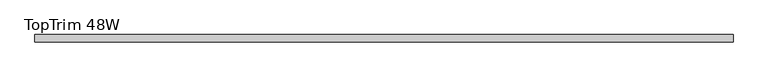
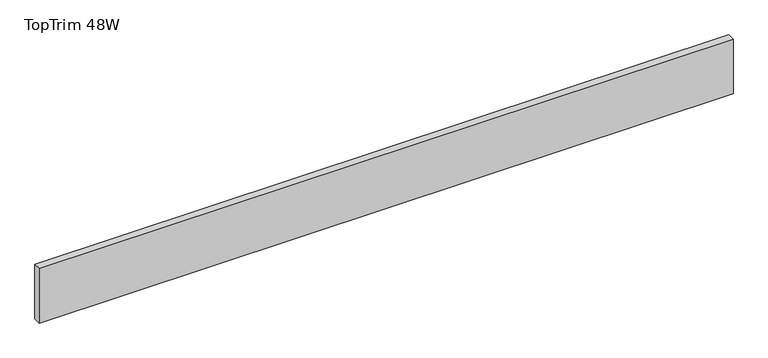
"""IFC4 building model written with IfcOpenShell, lengths in millimetres: furniture geometry, TopTrim 48W."""

from ifc_helpers import new_model, si_unit, frame, origin, place, context, project, spatial, polyline, outline, extrude, source, transform, mapped, element, save


def toptrim_48w_e43ffba9(model_context):
    return source(origin(), model_context, "Body", "SweptSolid", [
        extrude(outline(polyline([(0.0, -50.8000015), (0.0, -38.1), (1219.2, -38.1), (1219.2, -50.8000015), (0.0, -50.8000015)])), frame((0.0, 0.0, 2184.4), z_axis=(0.0, 0.0, 1.0), x_axis=(1.0, 0.0, 0.0)), (0.0, 0.0, 1.0), 101.600003),
    ])


if __name__ == "__main__":
    model = new_model("IFC4")
    model_context = context("Model", 3, world=origin())
    ifc_project = project(units=[si_unit("LENGTHUNIT", "METRE", prefix="MILLI")], contexts=[model_context])
    site = spatial("IfcSite", under=ifc_project)
    building = spatial("IfcBuilding", under=site)
    placement = place(None, origin())
    toptrim_48w_shape = toptrim_48w_e43ffba9(model_context)
    element("IfcFurniture", 1, ObjectType="TopTrim 48W", at=placement, inside=building, context=model_context, shape_type="MappedRepresentation", body=[
        mapped(toptrim_48w_shape, transform((0.0, 0.0, 0.0), x_axis=(1.0, 0.0, 0.0), y_axis=(0.0, 1.0, 0.0), z_axis=(0.0, 0.0, 1.0))),
    ])
    save(model, "model.ifc")
